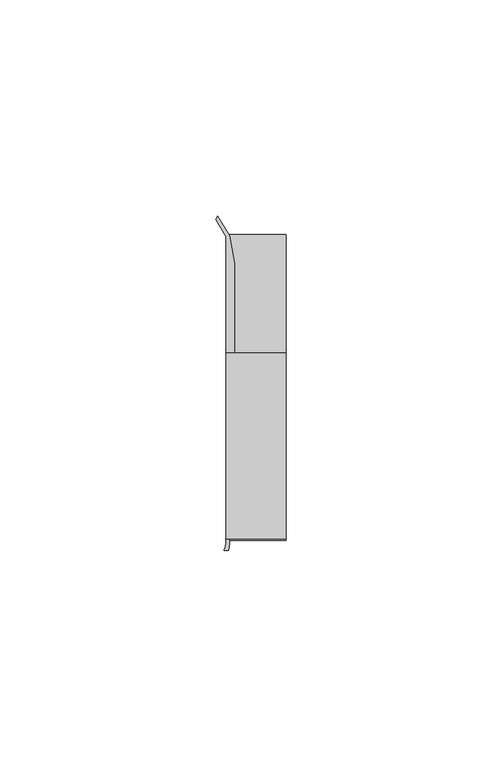
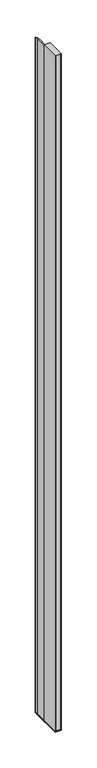
"""IFC4 building model written with IfcOpenShell, lengths in millimetres: furniture geometry."""

from ifc_helpers import new_model, si_unit, point, frame, frame_2d, origin, place, context, project, spatial, polyline, circle_curve, trimmed, segment, composite_curve, outline, extrude, source, transform, mapped, element, save


def furniture_9ba645af(model_context):
    return source(origin(), model_context, "Body", "SweptSolid", [
        extrude(outline(polyline([(31.9660873, 18.9594777), (31.9660873, -24.0995273), (18.0754623, -24.0995273), (18.0754623, 18.9594777), (31.9660873, 18.9594777)])), frame((0.0, 0.0, 487.8119824), z_axis=(0.0, 0.0, 1.0), x_axis=(1.0, 0.0, 0.0)), (0.0, 0.0, 1.0), 1614.0456376),
        extrude(outline(composite_curve([segment(polyline([(16.1635657, 50.6802202), (18.9314847, 46.0995711), (20.0632119, 39.6814262), (20.0632119, 18.9594777), (18.8191063, 18.9594777), (18.8191063, -23.2485144), (31.9660873, -23.2485144), (31.2224462, -24.0995273), (18.7989737, -24.0995273)]), True, "CONTINUOUS"), segment(trimmed(circle_curve(frame_2d((14.8541445, -25.0314921)), 4.0534227), [point((18.7989737, -24.0995273))], [point((18.9075389, -25.0466572))], False, "CARTESIAN"), True, "CONTINUOUS"), segment(trimmed(circle_curve(frame_2d((12.1306413, -24.765085)), 6.7827446), [point((18.9075389, -25.0466572))], [point((18.6374949, -26.6798903))], False, "CARTESIAN"), True, "CONTINUOUS"), segment(polyline([(18.6374949, -26.6798903), (17.6611556, -26.683687)]), True, "CONTINUOUS"), segment(trimmed(circle_curve(frame_2d((12.0703756, -24.4226588)), 6.0306773), [point((17.6611556, -26.683687))], [point((18.0754623, -24.9776388))], True, "CARTESIAN"), True, "CONTINUOUS"), segment(polyline([(18.0754623, -24.9776388), (18.0754623, 45.8886719), (15.7452137, 49.8958113), (16.1635657, 50.6802202)]), True, "CONTINUOUS")], self_intersect=False)), frame((0.0, 0.0, 487.8119824), z_axis=(0.0, 0.0, 1.0), x_axis=(1.0, 0.0, 0.0)), (0.0, 0.0, 1.0), 1614.0456376),
        extrude(outline(polyline([(18.0754623, -24.0995273), (18.0754623, 46.6824219), (31.9660873, 46.6824219), (31.9660873, -24.0995273), (18.0754623, -24.0995273)])), frame((0.0, 0.0, 485.2797), z_axis=(0.0, 0.0, 1.0), x_axis=(1.0, 0.0, 0.0)), (0.0, 0.0, 1.0), 2.5322824),
    ])


if __name__ == "__main__":
    model = new_model("IFC4")
    model_context = context("Model", 3, world=origin())
    ifc_project = project(units=[si_unit("LENGTHUNIT", "METRE", prefix="MILLI")], contexts=[model_context])
    site = spatial("IfcSite", under=ifc_project)
    building = spatial("IfcBuilding", under=site)
    placement = place(None, origin())
    furniture_shape = furniture_9ba645af(model_context)
    element("IfcFurniture", 1, at=placement, inside=building, context=model_context, shape_type="MappedRepresentation", body=[
        mapped(furniture_shape, transform((0.0, 0.0, 0.0), x_axis=(1.0, 0.0, 0.0), y_axis=(0.0, 1.0, 0.0), z_axis=(0.0, 0.0, 1.0))),
    ])
    save(model, "model.ifc")
